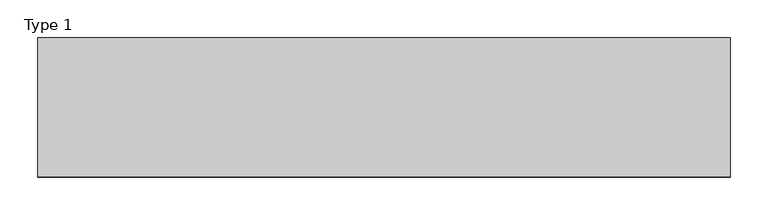
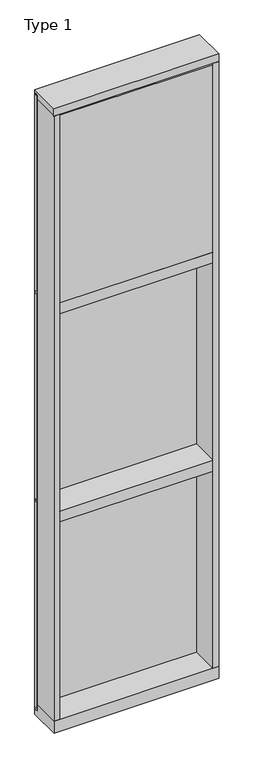
"""IFC4 building model written with IfcOpenShell, lengths in millimetres: plate geometry, Type 1."""

from ifc_helpers import new_model, si_unit, frame, origin, place, context, project, spatial, polyline, outline, extrude, source, transform, mapped, element, save


def type_1_98f3d31d(model_context):
    return source(origin(), model_context, "Body", "SweptSolid", [
        extrude(outline(polyline([(457.2, 27.6881517), (457.2, 11.2982336), (444.5010892, 11.2982336), (444.5010892, 27.6881517), (457.2, 27.6881517)])), frame((0.0, 0.0, 1225.55), z_axis=(0.0, 0.0, 1.0), x_axis=(1.0, 0.0, 0.0)), (0.0, 0.0, 1.0), 1206.5),
        extrude(outline(polyline([(-444.5010892, 27.6881517), (-444.5010892, 11.2982336), (-457.2, 11.2982336), (-457.2, 27.6881517), (-444.5010892, 27.6881517)])), frame((0.0, 0.0, 1225.55), z_axis=(0.0, 0.0, 1.0), x_axis=(1.0, 0.0, 0.0)), (0.0, 0.0, 1.0), 1206.5),
        extrude(outline(polyline([(444.5010892, 27.686), (444.5010892, 2.286), (-444.5010892, 2.286), (-444.5010892, 27.686), (444.5010892, 27.686)])), frame((0.0, 0.0, 1225.55), z_axis=(0.0, 0.0, 1.0), x_axis=(1.0, 0.0, 0.0)), (0.0, 0.0, 1.0), 1206.5),
        extrude(outline(polyline([(457.2, 27.686), (457.2, 6.35), (-457.2, 6.35), (-457.2, 27.686), (457.2, 27.686)])), frame((0.0, 0.0, 2432.05), z_axis=(0.0, 0.0, 1.0), x_axis=(1.0, 0.0, 0.0)), (0.0, 0.0, 1.0), 12.7),
        extrude(outline(polyline([(-457.2, -155.9814), (-457.2, 2.286), (-425.45, 2.286), (-425.45, -155.9814), (-457.2, -155.9814)])), frame((0.0, 0.0, 31.75), z_axis=(0.0, 0.0, 1.0), x_axis=(1.0, 0.0, 0.0)), (0.0, 0.0, 1.0), 3543.3),
        extrude(outline(polyline([(457.2, -155.9814), (425.45, -155.9814), (425.45, 2.286), (457.2, 2.286), (457.2, -155.9814)])), frame((0.0, 0.0, 31.75), z_axis=(0.0, 0.0, 1.0), x_axis=(1.0, 0.0, 0.0)), (0.0, 0.0, 1.0), 3543.3),
        extrude(outline(polyline([(425.4510892, -48.6409999), (425.4510892, -156.32684), (-425.45, -156.32684), (-425.45, -48.6409999), (425.4510892, -48.6409999)])), frame((0.0, 0.0, 2470.15), z_axis=(0.0, 0.0, 1.0), x_axis=(1.0, 0.0, 0.0)), (0.0, 0.0, 1.0), 1098.6493556),
        extrude(outline(polyline([(457.2, 27.6881517), (457.2, 11.2982336), (444.5010892, 11.2982336), (444.5010892, 27.6881517), (457.2, 27.6881517)])), frame((0.0, 0.0, 2444.75), z_axis=(0.0, 0.0, 1.0), x_axis=(1.0, 0.0, 0.0)), (0.0, 0.0, 1.0), 1149.35),
        extrude(outline(polyline([(-444.5010892, 27.6881517), (-444.5010892, 11.2982336), (-457.2, 11.2982336), (-457.2, 27.6881517), (-444.5010892, 27.6881517)])), frame((0.0, 0.0, 2444.75), z_axis=(0.0, 0.0, 1.0), x_axis=(1.0, 0.0, 0.0)), (0.0, 0.0, 1.0), 1149.35),
        extrude(outline(polyline([(444.5010892, 27.686), (444.5010892, 2.286), (-444.5010892, 2.286), (-444.5010892, 27.686), (444.5010892, 27.686)])), frame((0.0, 0.0, 2444.75), z_axis=(0.0, 0.0, 1.0), x_axis=(1.0, 0.0, 0.0)), (0.0, 0.0, 1.0), 1149.35),
        extrude(outline(polyline([(457.2, 27.6881517), (457.2, 11.2982336), (444.5010892, 11.2982336), (444.5010892, 27.6881517), (457.2, 27.6881517)])), frame((0.0, 0.0, 6.35), z_axis=(0.0, 0.0, 1.0), x_axis=(1.0, 0.0, 0.0)), (0.0, 0.0, 1.0), 1206.5),
        extrude(outline(polyline([(-444.5010892, 27.6881517), (-444.5010892, 11.2982336), (-457.2, 11.2982336), (-457.2, 27.6881517), (-444.5010892, 27.6881517)])), frame((0.0, 0.0, 6.35), z_axis=(0.0, 0.0, 1.0), x_axis=(1.0, 0.0, 0.0)), (0.0, 0.0, 1.0), 1206.5),
        extrude(outline(polyline([(444.5010892, 27.686), (444.5010892, 2.286), (-444.5010892, 2.286), (-444.5010892, 27.686), (444.5010892, 27.686)])), frame((0.0, 0.0, 6.35), z_axis=(0.0, 0.0, 1.0), x_axis=(1.0, 0.0, 0.0)), (0.0, 0.0, 1.0), 1206.5),
        extrude(outline(polyline([(457.2, 27.686), (457.2, 6.35), (-457.2, 6.35), (-457.2, 27.686), (457.2, 27.686)])), frame((0.0, 0.0, 1212.85), z_axis=(0.0, 0.0, 1.0), x_axis=(1.0, 0.0, 0.0)), (0.0, 0.0, 1.0), 12.7),
        extrude(outline(polyline([(-425.45, -155.4734), (-425.45, 2.2859999), (425.45, 2.2859999), (425.45, -155.4734), (-425.45, -155.4734)])), frame((0.0, 0.0, 1187.45), z_axis=(0.0, 0.0, 1.0), x_axis=(1.0, 0.0, 0.0)), (0.0, 0.0, 1.0), 63.5),
        extrude(outline(polyline([(-457.2, 15.9510838), (-457.2, 27.6859999), (457.2, 27.6859999), (457.2, 15.9510838), (-457.2, 15.9510838)])), frame((0.0, 0.0, 3594.7366239), z_axis=(0.0, 0.0, 1.0), x_axis=(1.0, 0.0, 0.0)), (0.0, 0.0, 1.0), 6.7161694),
        extrude(outline(polyline([(27.686, 3619.5), (27.686, 3601.4527933), (2.286, 3601.4527933), (2.286, 3575.6866239), (-155.4734, 3575.6866239), (-155.4734, 3619.5), (27.686, 3619.5)])), frame((-457.2, 0.0, 0.0), z_axis=(1.0, 0.0, 0.0), x_axis=(0.0, 1.0, 0.0)), (0.0, 0.0, 1.0), 914.4),
        extrude(outline(polyline([(-457.2, 5.0946564), (-457.2, 27.6881517), (457.2, 27.6881517), (457.2, 5.0946564), (-457.2, 5.0946564)])), frame((0.0, 0.0, -6.2984797), z_axis=(0.0, 0.0, 1.0), x_axis=(1.0, 0.0, 0.0)), (0.0, 0.0, 1.0), 12.6484797),
        extrude(outline(polyline([(-425.45, -155.4734), (-425.45, 2.2859999), (425.45, 2.2859999), (425.45, -155.4734), (-425.45, -155.4734)])), frame((0.0, 0.0, 2406.65), z_axis=(0.0, 0.0, 1.0), x_axis=(1.0, 0.0, 0.0)), (0.0, 0.0, 1.0), 63.5),
        extrude(outline(polyline([(2.2859999, 31.75), (2.2859999, -6.2983857), (27.6858239, -6.2983857), (27.6858239, -38.1), (-155.6004, -38.1), (-155.6004, 31.75), (2.2859999, 31.75)])), frame((-457.2, 0.0, 0.0), z_axis=(1.0, 0.0, 0.0), x_axis=(0.0, 1.0, 0.0)), (0.0, 0.0, 1.0), 914.4),
    ])


if __name__ == "__main__":
    model = new_model("IFC4")
    model_context = context("Model", 3, world=origin())
    ifc_project = project(units=[si_unit("LENGTHUNIT", "METRE", prefix="MILLI")], contexts=[model_context])
    site = spatial("IfcSite", under=ifc_project)
    building = spatial("IfcBuilding", under=site)
    placement = place(None, origin())
    type_1_shape = type_1_98f3d31d(model_context)
    element("IfcPlate", 1, ObjectType="Type 1", at=placement, inside=building, context=model_context, shape_type="MappedRepresentation", body=[
        mapped(type_1_shape, transform((0.0, 0.0, 0.0), x_axis=(1.0, 0.0, 0.0), y_axis=(0.0, 1.0, 0.0), z_axis=(0.0, 0.0, 1.0))),
    ])
    save(model, "model.ifc")
